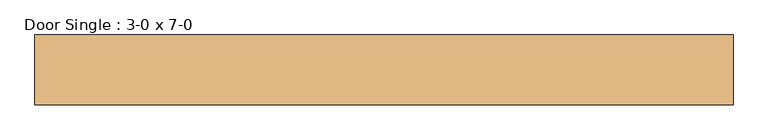
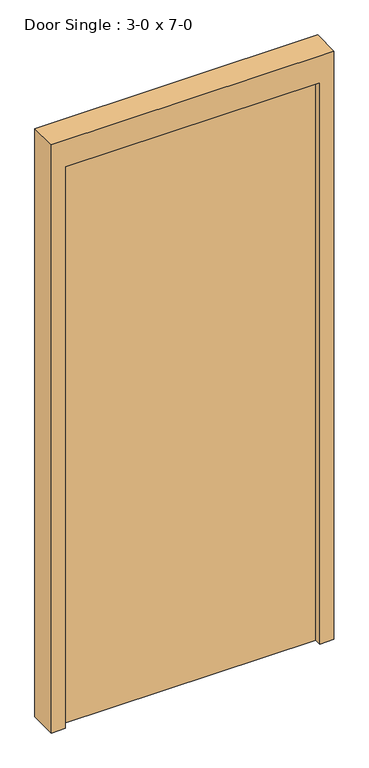
"""IFC4 building model written with IfcOpenShell, lengths in millimetres: door geometry, Door Single : 3-0 x 7-0."""

from ifc_helpers import new_model, si_unit, frame, origin, origin_with_axes, place, context, project, spatial, polyline, outline, extrude, source, transform, mapped, element, save


def door_single_3_0_x_7_0_1723c1a8(model_context):
    return source(origin(), model_context, "Body", "SweptSolid", [
        extrude(outline(polyline([(2133.6, 457.2), (0.0, 457.2), (0.0, 508.0), (2235.2, 508.0), (2235.2, -508.0), (0.0, -508.0), (0.0, -457.2), (2133.6, -457.2), (2133.6, 457.2)])), frame((0.0, -76.2, 0.0), z_axis=(0.0, 1.0, 0.0), x_axis=(0.0, 0.0, 1.0)), (0.0, 0.0, 1.0), 101.6),
        extrude(outline(polyline([(457.2, 0.0), (457.2, -50.8), (-457.2, -50.8), (-457.2, 0.0), (457.2, 0.0)])), origin_with_axes(), (0.0, 0.0, 1.0), 2133.6),
    ])


if __name__ == "__main__":
    model = new_model("IFC4")
    model_context = context("Model", 3, world=origin())
    ifc_project = project(units=[si_unit("LENGTHUNIT", "METRE", prefix="MILLI")], contexts=[model_context])
    site = spatial("IfcSite", under=ifc_project)
    building = spatial("IfcBuilding", under=site)
    placement = place(None, origin())
    door_single_3_0_x_7_0_shape = door_single_3_0_x_7_0_1723c1a8(model_context)
    element("IfcDoor", 1, ObjectType="Door Single : 3-0 x 7-0", at=placement, inside=building, context=model_context, shape_type="MappedRepresentation", body=[
        mapped(door_single_3_0_x_7_0_shape, transform((0.0, 0.0, 0.0), x_axis=(1.0, 0.0, 0.0), y_axis=(0.0, 1.0, 0.0), z_axis=(0.0, 0.0, 1.0))),
    ])
    save(model, "model.ifc")
